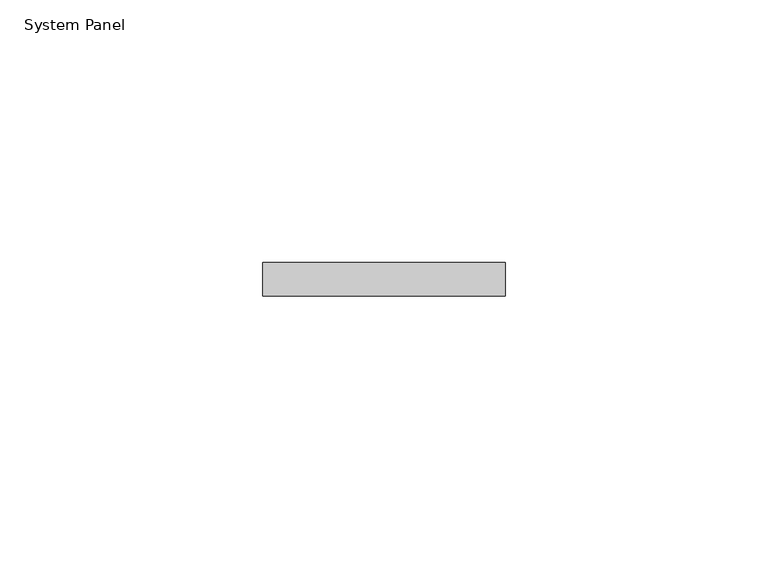
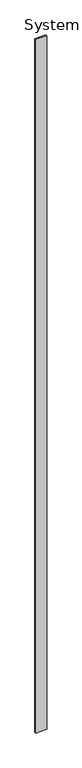
"""IFC4 building model written with IfcOpenShell, lengths in millimetres: plate geometry, System Panel."""

import ifcopenshell
import ifcopenshell.guid

model = None  # the IFC model being written
_history = None  # IfcOwnerHistory: only IFC2X3 demands one
_inside = {}  # id of a spatial element -> (the spatial element, [elements in it])
_under = {}  # id of a project, library or spatial element -> (it, [spatial elements below it])
_declared = {}  # id of a project -> (the project, [libraries it declares])
_typed = {}  # id of a type object -> (the type object, [elements of that type])
_made_of = {}  # id of a material, layer set ... -> (it, [elements and type objects made of it])


def new_model(schema):
    """Start an empty IFC model of exactly this schema.

    Asked for "IFC4X3", IfcOpenShell would pick the latest addendum, in which some entities
    have other attributes; the version numbers below select the first issue.
    IFC2X3 requires an IfcOwnerHistory on every rooted entity: one is made here for all.
    """
    global model, _history
    if schema == "IFC4X3":
        model = ifcopenshell.file(schema_version=(4, 3, 0, 0))
    else:
        model = ifcopenshell.file(schema=schema)
    _inside.clear()
    _under.clear()
    _declared.clear()
    _typed.clear()
    _made_of.clear()
    _history = None
    if model.schema == "IFC2X3":
        org = make("IfcOrganization", Name="unknown")
        user = make(
            "IfcPersonAndOrganization",
            ThePerson=make("IfcPerson", FamilyName="unknown"),
            TheOrganization=org,
        )
        app = make(
            "IfcApplication",
            ApplicationDeveloper=org,
            Version="unknown",
            ApplicationFullName="unknown",
            ApplicationIdentifier="unknown",
        )
        _history = make(
            "IfcOwnerHistory",
            OwningUser=user,
            OwningApplication=app,
            ChangeAction="ADDED",
            CreationDate=0,
        )
    return model


def make(cls, **values):
    """One entity of the class cls with the attributes given. An attribute that is None is left unset."""
    return model.create_entity(
        cls, **{name: value for name, value in values.items() if value is not None}
    )


def rooted(cls, **values):
    """An entity with a GlobalId (a new one), such as an element, a storey or a relation."""
    return make(cls, GlobalId=ifcopenshell.guid.new(), OwnerHistory=_history, **values)


def si_unit(unit_type, name, prefix=None):
    """IfcSIUnit, for example si_unit("LENGTHUNIT", "METRE", prefix="MILLI")."""
    return make("IfcSIUnit", UnitType=unit_type, Prefix=prefix, Name=name)


def assignment(units):
    """IfcUnitAssignment: the units of a project."""
    return None if units is None else make("IfcUnitAssignment", Units=units)


def point(xyz):
    """IfcCartesianPoint."""
    return None if xyz is None else make("IfcCartesianPoint", Coordinates=xyz)


def direction(xyz):
    """IfcDirection."""
    return None if xyz is None else make("IfcDirection", DirectionRatios=xyz)


def frame(location, z_axis=None, x_axis=None):
    """IfcAxis2Placement3D, a coordinate frame: its origin and axes. An axis left out is left unset."""
    return make(
        "IfcAxis2Placement3D",
        Location=point(location),
        Axis=direction(z_axis),
        RefDirection=direction(x_axis),
    )


def origin():
    """The frame at (0, 0, 0) with its axes left unset."""
    return frame((0.0, 0.0, 0.0))


def origin_with_axes():
    """The frame at (0, 0, 0) with the z axis (0, 0, 1) and the x axis (1, 0, 0) written out."""
    return frame((0.0, 0.0, 0.0), z_axis=(0.0, 0.0, 1.0), x_axis=(1.0, 0.0, 0.0))


def place(relative_to, where):
    """IfcLocalPlacement: puts the frame where relative to a parent placement (None: the world)."""
    return make(
        "IfcLocalPlacement", PlacementRelTo=relative_to, RelativePlacement=where
    )


def context(
    kind, dimensions, precision=None, world=None, true_north=None, identifier=None
):
    """IfcGeometricRepresentationContext, for example the 3D "Model" context."""
    return make(
        "IfcGeometricRepresentationContext",
        ContextIdentifier=identifier,
        ContextType=kind,
        CoordinateSpaceDimension=dimensions,
        Precision=precision,
        WorldCoordinateSystem=world,
        TrueNorth=true_north,
    )


def project(units=None, contexts=None):
    """IfcProject with its units and contexts."""
    return rooted(
        "IfcProject",
        Name="project",
        RepresentationContexts=contexts,
        UnitsInContext=assignment(units),
    )


def spatial(cls, under=None, at=None, **own):
    """A site, building, storey or space (cls), placed at a placement, below another one or the project."""
    s = rooted(cls, ObjectPlacement=at, **own)
    if under is not None:
        _under.setdefault(under.id(), (under, []))[1].append(s)
    return s


def polyline(points):
    """IfcPolyline through the points."""
    return make("IfcPolyline", Points=[point(p) for p in points])


def outline(outer, holes=None, kind="AREA"):
    """IfcArbitraryClosedProfileDef: a profile drawn as a closed curve; with holes, ...WithVoids."""
    if holes is None:
        return make("IfcArbitraryClosedProfileDef", ProfileType=kind, OuterCurve=outer)
    return make(
        "IfcArbitraryProfileDefWithVoids",
        ProfileType=kind,
        OuterCurve=outer,
        InnerCurves=holes,
    )


def extrude(swept, where, along, depth):
    """IfcExtrudedAreaSolid: the profile swept, set in the frame where, extruded along a direction by depth."""
    return make(
        "IfcExtrudedAreaSolid",
        SweptArea=swept,
        Position=where,
        ExtrudedDirection=direction(along),
        Depth=depth,
    )


def shape(context_of_items, identifier, shape_type, items):
    """IfcShapeRepresentation: the items that make up one representation, for example the "Body"."""
    return make(
        "IfcShapeRepresentation",
        ContextOfItems=context_of_items,
        RepresentationIdentifier=identifier,
        RepresentationType=shape_type,
        Items=items,
    )


def source(mapping_origin, context_of_items, identifier, shape_type, items):
    """IfcRepresentationMap: a shape defined once, which mapped items show again and again."""
    return make(
        "IfcRepresentationMap",
        MappingOrigin=mapping_origin,
        MappedRepresentation=shape(context_of_items, identifier, shape_type, items),
    )


def transform(
    local_origin,
    x_axis=None,
    y_axis=None,
    z_axis=None,
    scale=None,
    scale2=None,
    scale3=None,
    uniform=True,
):
    """IfcCartesianTransformationOperator3D, or its non-uniform kind. x_axis, y_axis, z_axis: its Axis1, 2, 3."""
    if uniform:
        return make(
            "IfcCartesianTransformationOperator3D",
            Axis1=direction(x_axis),
            Axis2=direction(y_axis),
            LocalOrigin=point(local_origin),
            Scale=scale,
            Axis3=direction(z_axis),
        )
    return make(
        "IfcCartesianTransformationOperator3DnonUniform",
        Axis1=direction(x_axis),
        Axis2=direction(y_axis),
        LocalOrigin=point(local_origin),
        Scale=scale,
        Axis3=direction(z_axis),
        Scale2=scale2,
        Scale3=scale3,
    )


def mapped(mapping_source, mapping_target):
    """IfcMappedItem: shows the shape of a source again, moved by a transform."""
    return make(
        "IfcMappedItem", MappingSource=mapping_source, MappingTarget=mapping_target
    )


def made_of(thing, what):
    """Note that an element or type object is made of a material, layer set ...; save() writes the relation."""
    if what is not None:
        _made_of.setdefault(what.id(), (what, []))[1].append(thing)
    return thing


def element(
    cls,
    number,
    at=None,
    inside=None,
    cuts=None,
    type_object=None,
    material=None,
    context=None,
    identifier="Body",
    shape_type=None,
    held_by="IfcProductDefinitionShape",
    body=None,
    shapes=None,
    **own,
):
    """One element of the class cls, such as IfcWall. Its Tag is "e" and its number.

    at: its placement. inside: the storey or other place that contains it. cuts: it is an
    opening in that element (IfcRelVoidsElement). A single representation is given by context,
    identifier, shape_type and body (its items); several are given by shapes. held_by: the class
    of the entity that holds the representations. save() writes the other relations.
    """
    e = rooted(cls, Tag="e%d" % number, ObjectPlacement=at, **own)
    if body is not None:
        shapes = [shape(context, identifier, shape_type, body)]
    if shapes is not None:
        e.Representation = make(held_by, Representations=shapes)
    if inside is not None:
        _inside.setdefault(inside.id(), (inside, []))[1].append(e)
    if cuts is not None:
        rooted(
            "IfcRelVoidsElement", RelatingBuildingElement=cuts, RelatedOpeningElement=e
        )
    if type_object is not None:
        _typed.setdefault(type_object.id(), (type_object, []))[1].append(e)
    return made_of(e, material)


def aggregate(whole, parts):
    """IfcRelAggregates: a whole, such as a stair, and the parts it consists of."""
    return rooted("IfcRelAggregates", RelatingObject=whole, RelatedObjects=parts)


def save(model, path):
    """Write the relations noted so far, then the file.

    IfcRelAggregates (storeys below a building ...), IfcRelContainedInSpatialStructure (elements
    in a storey), IfcRelDefinesByType, IfcRelAssociatesMaterial and IfcRelDeclares: one each for
    every whole, place, type object, material and project.
    """
    for whole, parts in _under.values():
        aggregate(whole, parts)
    for where, things in _inside.values():
        rooted(
            "IfcRelContainedInSpatialStructure",
            RelatedElements=things,
            RelatingStructure=where,
        )
    for kind, things in _typed.values():
        rooted("IfcRelDefinesByType", RelatedObjects=things, RelatingType=kind)
    for what, things in _made_of.values():
        rooted("IfcRelAssociatesMaterial", RelatedObjects=things, RelatingMaterial=what)
    for by, libraries in _declared.values():
        rooted("IfcRelDeclares", RelatingContext=by, RelatedDefinitions=libraries)
    model.write(path)


def system_panel_4f417499(model_context):
    return source(origin(), model_context, "Body", "SweptSolid", [
        extrude(outline(polyline([(23.0164157, 0.0), (-23.0164157, 0.0), (-23.0164157, 6.35), (23.0164157, 6.35), (23.0164157, 0.0)])), origin_with_axes(), (0.0, 0.0, 1.0), 3048.0),
    ])


if __name__ == "__main__":
    model = new_model("IFC4")
    model_context = context("Model", 3, world=origin())
    ifc_project = project(units=[si_unit("LENGTHUNIT", "METRE", prefix="MILLI")], contexts=[model_context])
    site = spatial("IfcSite", under=ifc_project)
    building = spatial("IfcBuilding", under=site)
    placement = place(None, origin())
    system_panel_shape = system_panel_4f417499(model_context)
    element("IfcPlate", 1, ObjectType="System Panel", at=placement, inside=building, context=model_context, shape_type="MappedRepresentation", body=[
        mapped(system_panel_shape, transform((0.0, 0.0, 0.0), x_axis=(1.0, 0.0, 0.0), y_axis=(0.0, 1.0, 0.0), z_axis=(0.0, 0.0, 1.0))),
    ])
    save(model, "model.ifc")
